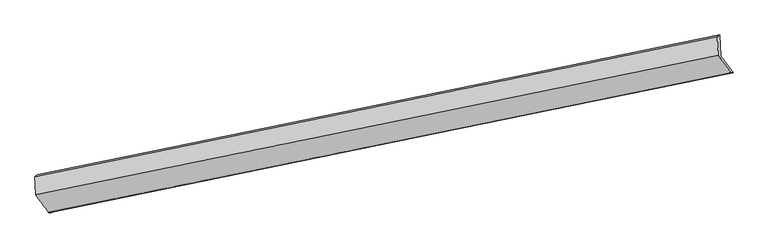
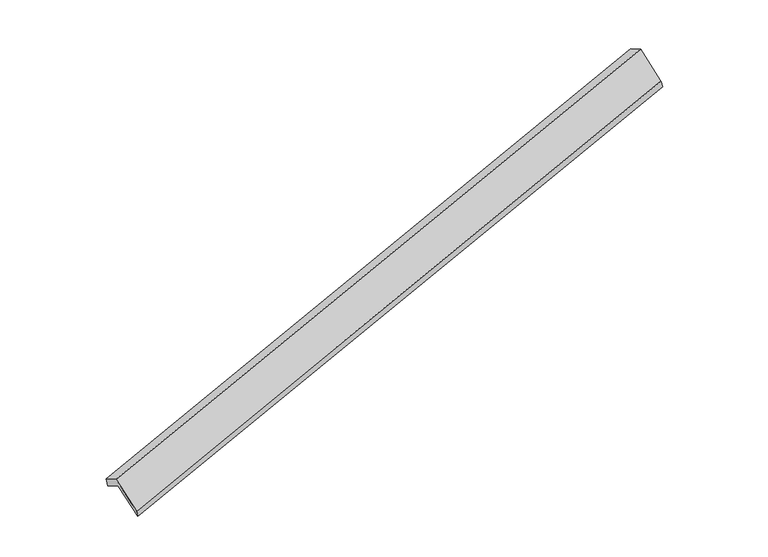
"""IFC4 building model written with IfcOpenShell, lengths in millimetres: proxy geometry."""

from ifc_helpers import new_model, si_unit, frame, origin, place, context, project, spatial, source, transform, mapped, element, save
from ifc_brep_helpers import plane_surface, spline_surface, advanced_brep


def generic_models_d9c50192(model_context):
    return source(origin(), model_context, "Body", "AdvancedBrep", [
        advanced_brep(
        [(-9691.0103381, -2899.7200041, 139.4664579), (-9706.7693422, -2504.6799426, -85.6023003), (3849.1229929, 272.5950999, 3855.1595316), (3865.5748077, -139.8120469, 4090.1229529), (-9760.8800041, -2542.3081164, 124.9160394), (3796.0792133, 235.1863305, 4065.9882677), (-9746.4091318, -2905.0578347, 331.5878092), (3810.5500857, -127.5633878, 4272.6600375), (-9483.9881539, -3260.2029265, -310.136228), (4068.2084491, -483.6879116, 3629.5503757), (-9442.3913809, -3236.1862542, -468.5061296), (4109.68164, -477.2062158, 3480.8376177)],
        [
            (0, 1),
            (1, 2),
            (2, 3),
            (3, 0),
            (1, 4),
            (4, 5),
            (5, 2),
            (4, 6),
            (6, 7),
            (7, 5),
            (6, 8),
            (8, 9),
            (9, 7),
            (8, 10),
            (10, 11),
            (11, 9),
            (10, 0),
            (3, 11),
        ],
        [
            plane_surface(frame((-9698.8898402, -2702.1999733, 26.9320788), z_axis=(0.33334012593484524, -0.4566437625801624, -0.8248398841826055), x_axis=(-0.034640533560869206, 0.8683542688479047, -0.49473315757915326))),
            spline_surface(1, 1, [[(-9706.7693422, -2504.6799426, -85.6023003), (3849.1229929, 272.5950999, 3855.1595316)], [(-9760.8800041, -2542.3081164, 124.9160394), (3796.0792133, 235.1863305, 4065.9882677)]], [2, 2], [2, 2], [0.0, 1.0], [0.0, 1.0]),
            plane_surface(frame((-9753.644568, -2723.6829756, 228.2519243), z_axis=(-0.3333401640638206, 0.45664375474987645, 0.8248398731086174), x_axis=(0.03464053356070888, -0.8683542688479298, 0.4947331575791204))),
            spline_surface(1, 1, [[(-9746.4091318, -2905.0578347, 331.5878092), (3810.5500857, -127.5633878, 4272.6600375)], [(-9483.9881539, -3260.2029265, -310.136228), (4068.2084491, -483.6879116, 3629.5503757)]], [2, 2], [2, 2], [0.0, 1.0], [0.0, 1.0]),
            spline_surface(1, 1, [[(-9483.9881539, -3260.2029265, -310.136228), (4068.2084491, -483.6879116, 3629.5503757)], [(-9442.3913809, -3236.1862542, -468.5061296), (4109.68164, -477.2062158, 3480.8376177)]], [2, 2], [2, 2], [0.0, 1.0], [0.0, 1.0]),
            spline_surface(1, 1, [[(-9442.3913809, -3236.1862542, -468.5061296), (4109.68164, -477.2062158, 3480.8376177)], [(-9691.0103381, -2899.7200041, 139.4664579), (3865.5748077, -139.8120469, 4090.1229529)]], [2, 2], [2, 2], [0.0, 1.0], [0.0, 1.0]),
            plane_surface(frame((3916.5361981, -120.0813553, 3899.0531305), z_axis=(0.9430769030532001, 0.19223946398249406, 0.2713852306506537), x_axis=(0.26839401094040743, 0.041946334102241786, -0.9623955319652641))),
            plane_surface(frame((-9638.5747252, -2891.3591798, -44.7123919), z_axis=(-0.9409102483843129, -0.19520261885306425, -0.2767378580503148), x_axis=(0.3368797083827117, -0.4559131511223765, -0.8238053536568236))),
        ],
        [
            (0, [[1, 2, 3, 4]]),
            (1, [[5, 6, 7, -2]]),
            (2, [[8, 9, 10, -6]]),
            (3, [[11, 12, 13, -9]]),
            (4, [[14, 15, 16, -12]]),
            (5, [[17, -4, 18, -15]]),
            (6, [[-16, -18, -3, -7, -10, -13]]),
            (7, [[-17, -14, -11, -8, -5, -1]]),
        ],
    ),
    ])


if __name__ == "__main__":
    model = new_model("IFC4")
    model_context = context("Model", 3, world=origin())
    ifc_project = project(units=[si_unit("LENGTHUNIT", "METRE", prefix="MILLI")], contexts=[model_context])
    site = spatial("IfcSite", under=ifc_project)
    building = spatial("IfcBuilding", under=site)
    placement = place(None, origin())
    generic_models_shape = generic_models_d9c50192(model_context)
    element("IfcBuildingElementProxy", 1, Name="Generic Models", at=placement, inside=building, context=model_context, shape_type="MappedRepresentation", body=[
        mapped(generic_models_shape, transform((0.0, 0.0, 0.0), x_axis=(1.0, 0.0, 0.0), y_axis=(0.0, 1.0, 0.0), z_axis=(0.0, 0.0, 1.0))),
    ])
    save(model, "model.ifc")
